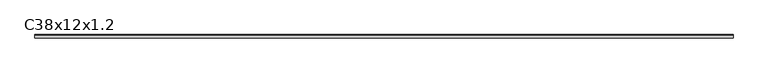
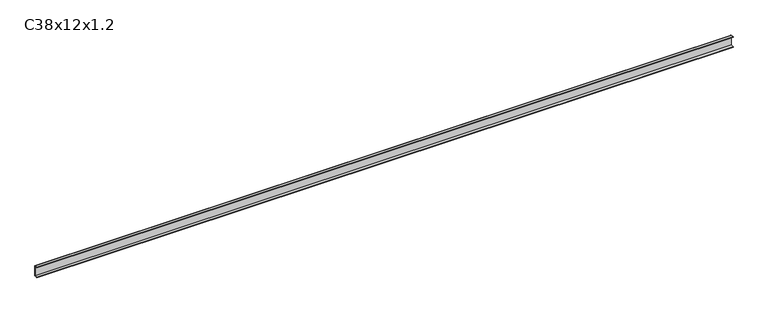
"""IFC4 building model written with IfcOpenShell, lengths in millimetres: proxy geometry, C38x12x1.2."""

from ifc_helpers import new_model, si_unit, point, frame, frame_2d, origin, place, context, project, spatial, polyline, circle_curve, trimmed, segment, composite_curve, outline, extrude, source, transform, mapped, element, save


def c38x12x1_2_86b91afe(model_context):
    return source(origin(), model_context, "Body", "SweptSolid", [
        extrude(outline(composite_curve([segment(polyline([(-6.0, 36.8), (-6.0, 38.0), (4.8, 38.0)]), True, "CONTINUOUS"), segment(trimmed(circle_curve(frame_2d((4.8, 36.8)), 1.2), [point((4.8, 38.0))], [point((6.0, 36.8))], False, "CARTESIAN"), True, "CONTINUOUS"), segment(polyline([(6.0, 36.8), (6.0, 1.2)]), True, "CONTINUOUS"), segment(trimmed(circle_curve(frame_2d((4.8, 1.2)), 1.2), [point((6.0, 1.2))], [point((4.8, 0.0))], False, "CARTESIAN"), True, "CONTINUOUS"), segment(polyline([(4.8, 0.0), (-6.0, 0.0), (-6.0, 1.2), (4.8, 1.2), (4.8, 36.8), (-6.0, 36.8)]), True, "CONTINUOUS")], self_intersect=False)), frame((0.0, 0.0, 0.0), z_axis=(1.0, 0.0, 0.0), x_axis=(0.0, 1.0, 0.0)), (0.0, 0.0, 1.0), 2450.0),
    ])


if __name__ == "__main__":
    model = new_model("IFC4")
    model_context = context("Model", 3, world=origin())
    ifc_project = project(units=[si_unit("LENGTHUNIT", "METRE", prefix="MILLI")], contexts=[model_context])
    site = spatial("IfcSite", under=ifc_project)
    building = spatial("IfcBuilding", under=site)
    placement = place(None, origin())
    c38x12x1_2_shape = c38x12x1_2_86b91afe(model_context)
    element("IfcBuildingElementProxy", 1, Name="C38x12x1.2", ObjectType="C38x12x1.2", at=placement, inside=building, context=model_context, shape_type="MappedRepresentation", body=[
        mapped(c38x12x1_2_shape, transform((0.0, 0.0, 0.0), x_axis=(1.0, 0.0, 0.0), y_axis=(0.0, 1.0, 0.0), z_axis=(0.0, 0.0, 1.0))),
    ])
    save(model, "model.ifc")
